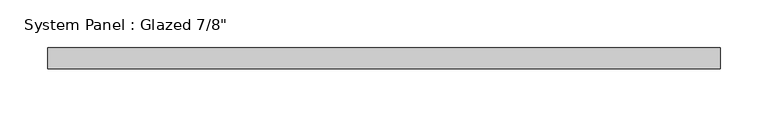
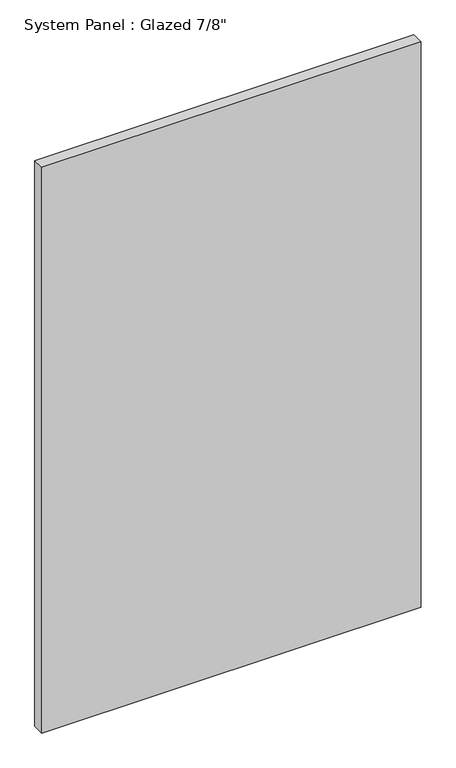
"""IFC4 building model written with IfcOpenShell, lengths in millimetres: plate geometry."""

from ifc_helpers import new_model, si_unit, origin, origin_with_axes, place, context, project, spatial, polyline, outline, extrude, source, transform, mapped, element, save


def plate_b11c366e(model_context):
    return source(origin(), model_context, "Body", "SweptSolid", [
        extrude(outline(polyline([(352.425, -11.1125), (-352.425, -11.1125), (-352.425, 11.1125), (352.425, 11.1125), (352.425, -11.1125)])), origin_with_axes(), (0.0, 0.0, 1.0), 1111.25),
    ])


if __name__ == "__main__":
    model = new_model("IFC4")
    model_context = context("Model", 3, world=origin())
    ifc_project = project(units=[si_unit("LENGTHUNIT", "METRE", prefix="MILLI")], contexts=[model_context])
    site = spatial("IfcSite", under=ifc_project)
    building = spatial("IfcBuilding", under=site)
    placement = place(None, origin())
    plate_shape = plate_b11c366e(model_context)
    element("IfcPlate", 1, ObjectType="System Panel : Glazed 7/8\"", at=placement, inside=building, context=model_context, shape_type="MappedRepresentation", body=[
        mapped(plate_shape, transform((0.0, 0.0, 0.0), x_axis=(1.0, 0.0, 0.0), y_axis=(0.0, 1.0, 0.0), z_axis=(0.0, 0.0, 1.0))),
    ])
    save(model, "model.ifc")
